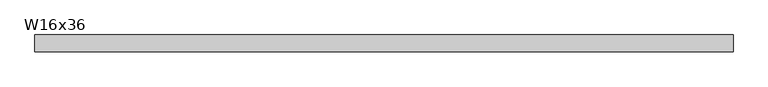
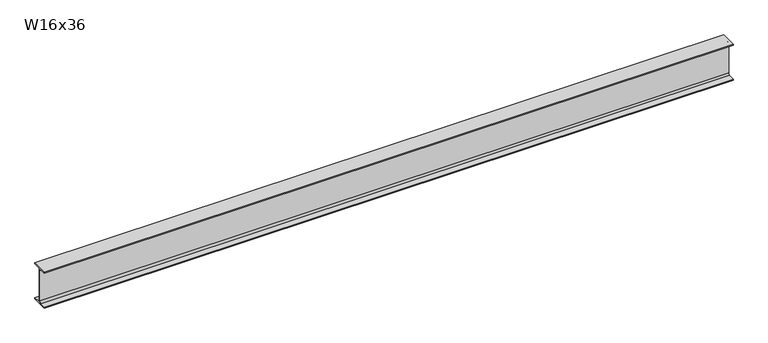
"""IFC4 building model written with IfcOpenShell, lengths in millimetres: beam geometry, W16x36."""

from ifc_helpers import new_model, si_unit, point, frame, frame_2d, origin, place, context, project, spatial, polyline, circle_curve, trimmed, segment, composite_curve, outline, extrude, source, transform, mapped, element, save


def w16x36_6a693b9b(model_context):
    return source(origin(), model_context, "Body", "SweptSolid", [
        extrude(outline(composite_curve([segment(polyline([(88.773, -191.008), (88.773, -201.93), (-88.773, -201.93), (-88.773, -191.008), (-21.3995, -191.008)]), True, "CONTINUOUS"), segment(trimmed(circle_curve(frame_2d((-21.3995, -173.355)), 17.653), [point((-21.3995, -191.008))], [point((-3.7465, -173.355))], True, "CARTESIAN"), True, "CONTINUOUS"), segment(polyline([(-3.7465, -173.355), (-3.7465, 173.355)]), True, "CONTINUOUS"), segment(trimmed(circle_curve(frame_2d((-21.3995, 173.355)), 17.653), [point((-3.7465, 173.355))], [point((-21.3995, 191.008))], True, "CARTESIAN"), True, "CONTINUOUS"), segment(polyline([(-21.3995, 191.008), (-88.773, 191.008), (-88.773, 201.93), (88.773, 201.93), (88.773, 191.008), (21.3995, 191.008)]), True, "CONTINUOUS"), segment(trimmed(circle_curve(frame_2d((21.3995, 173.355)), 17.653), [point((21.3995, 191.008))], [point((3.7465, 173.355))], True, "CARTESIAN"), True, "CONTINUOUS"), segment(polyline([(3.7465, 173.355), (3.7465, -173.355)]), True, "CONTINUOUS"), segment(trimmed(circle_curve(frame_2d((21.3995, -173.355)), 17.653), [point((3.7465, -173.355))], [point((21.3995, -191.008))], True, "CARTESIAN"), True, "CONTINUOUS"), segment(polyline([(21.3995, -191.008), (88.773, -191.008)]), True, "CONTINUOUS")], self_intersect=False)), frame((-3693.5406614, 0.0, 0.0), z_axis=(1.0, 0.0, 0.0), x_axis=(0.0, 1.0, 0.0)), (0.0, 0.0, 1.0), 7384.7784438),
    ])


if __name__ == "__main__":
    model = new_model("IFC4")
    model_context = context("Model", 3, world=origin())
    ifc_project = project(units=[si_unit("LENGTHUNIT", "METRE", prefix="MILLI")], contexts=[model_context])
    site = spatial("IfcSite", under=ifc_project)
    building = spatial("IfcBuilding", under=site)
    placement = place(None, origin())
    w16x36_shape = w16x36_6a693b9b(model_context)
    element("IfcBeam", 1, ObjectType="W16x36", at=placement, inside=building, context=model_context, shape_type="MappedRepresentation", body=[
        mapped(w16x36_shape, transform((0.0, 0.0, 0.0), x_axis=(1.0, 0.0, 0.0), y_axis=(0.0, 1.0, 0.0), z_axis=(0.0, 0.0, 1.0))),
    ])
    save(model, "model.ifc")
